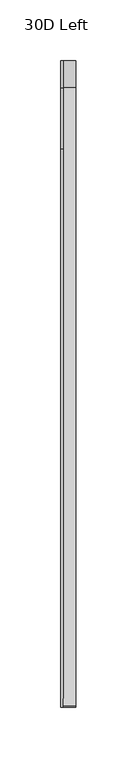
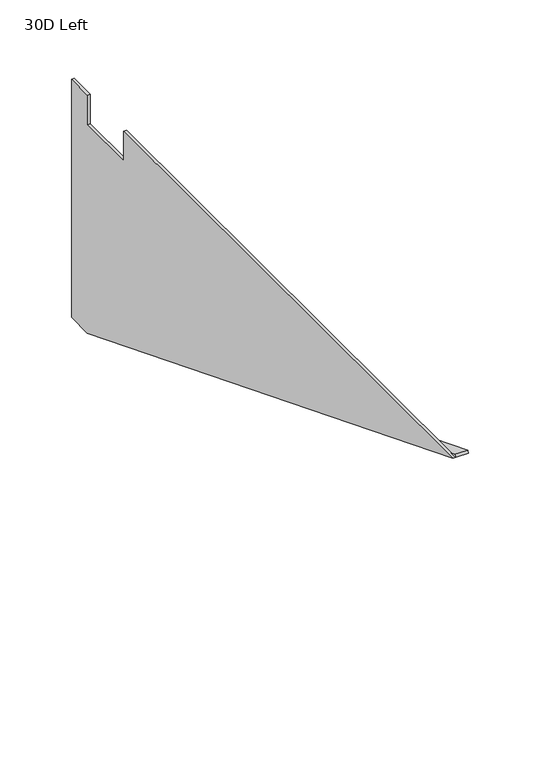
"""IFC4 building model written with IfcOpenShell, lengths in millimetres: furniture geometry, 30D Left."""

from ifc_helpers import new_model, si_unit, frame, origin, place, context, project, spatial, polyline, outline, extrude, source, transform, mapped, element, save


def furniture_30d_left_232e12f7(model_context):
    return source(origin(), model_context, "Body", "SweptSolid", [
        extrude(outline(polyline([(254.0, 505.5235), (254.0, 503.2375), (231.775, 503.2375), (-279.6807823, 706.4375), (-278.8367354, 708.5619719), (232.2124796, 505.5235), (254.0, 505.5235)])), frame((2.286, 0.0, 0.0), z_axis=(1.0, 0.0, 0.0), x_axis=(0.0, 1.0, 0.0)), (0.0, 0.0, 1.0), 10.414),
        extrude(outline(polyline([(254.0, 706.4375), (254.0, 503.2375), (231.775, 503.2375), (-279.6807823, 706.4375), (180.975, 706.4375), (180.975, 681.0375), (231.775, 681.0375), (231.775, 706.4375), (254.0, 706.4375)])), frame((0.0, 0.0, 0.0), z_axis=(1.0, 0.0, 0.0), x_axis=(0.0, 1.0, 0.0)), (0.0, 0.0, 1.0), 2.286),
    ])


if __name__ == "__main__":
    model = new_model("IFC4")
    model_context = context("Model", 3, world=origin())
    ifc_project = project(units=[si_unit("LENGTHUNIT", "METRE", prefix="MILLI")], contexts=[model_context])
    site = spatial("IfcSite", under=ifc_project)
    building = spatial("IfcBuilding", under=site)
    placement = place(None, origin())
    furniture_30d_left_shape = furniture_30d_left_232e12f7(model_context)
    element("IfcFurniture", 1, ObjectType="30D Left", at=placement, inside=building, context=model_context, shape_type="MappedRepresentation", body=[
        mapped(furniture_30d_left_shape, transform((0.0, 0.0, 0.0), x_axis=(1.0, 0.0, 0.0), y_axis=(0.0, 1.0, 0.0), z_axis=(0.0, 0.0, 1.0))),
    ])
    save(model, "model.ifc")
